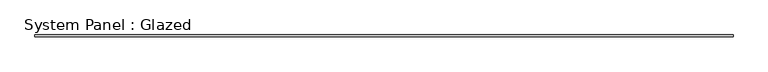
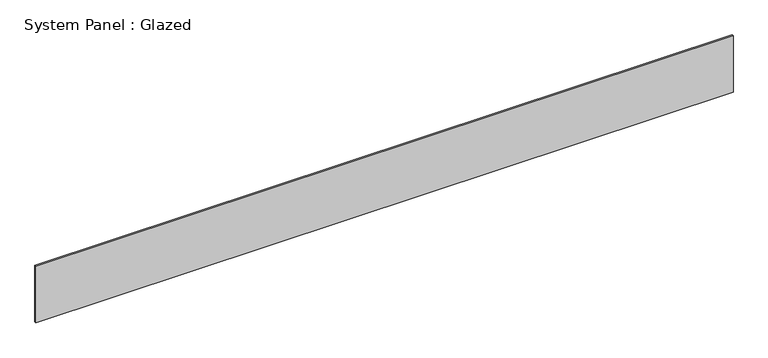
"""IFC4 building model written with IfcOpenShell, lengths in millimetres: plate geometry, System Panel : Glazed."""

from ifc_helpers import new_model, si_unit, origin, origin_with_axes, place, context, project, spatial, polyline, outline, extrude, source, transform, mapped, element, save


def system_panel_glazed_f248129d(model_context):
    return source(origin(), model_context, "Body", "SweptSolid", [
        extrude(outline(polyline([(4958.1677247, 24.5), (-4958.1677247, 24.5), (-4958.1677247, 49.5), (4958.1677247, 49.5), (4958.1677247, 24.5)])), origin_with_axes(), (0.0, 0.0, 1.0), 850.0),
    ])


if __name__ == "__main__":
    model = new_model("IFC4")
    model_context = context("Model", 3, world=origin())
    ifc_project = project(units=[si_unit("LENGTHUNIT", "METRE", prefix="MILLI")], contexts=[model_context])
    site = spatial("IfcSite", under=ifc_project)
    building = spatial("IfcBuilding", under=site)
    placement = place(None, origin())
    system_panel_glazed_shape = system_panel_glazed_f248129d(model_context)
    element("IfcPlate", 1, ObjectType="System Panel : Glazed", at=placement, inside=building, context=model_context, shape_type="MappedRepresentation", body=[
        mapped(system_panel_glazed_shape, transform((0.0, 0.0, 0.0), x_axis=(1.0, 0.0, 0.0), y_axis=(0.0, 1.0, 0.0), z_axis=(0.0, 0.0, 1.0))),
    ])
    save(model, "model.ifc")
